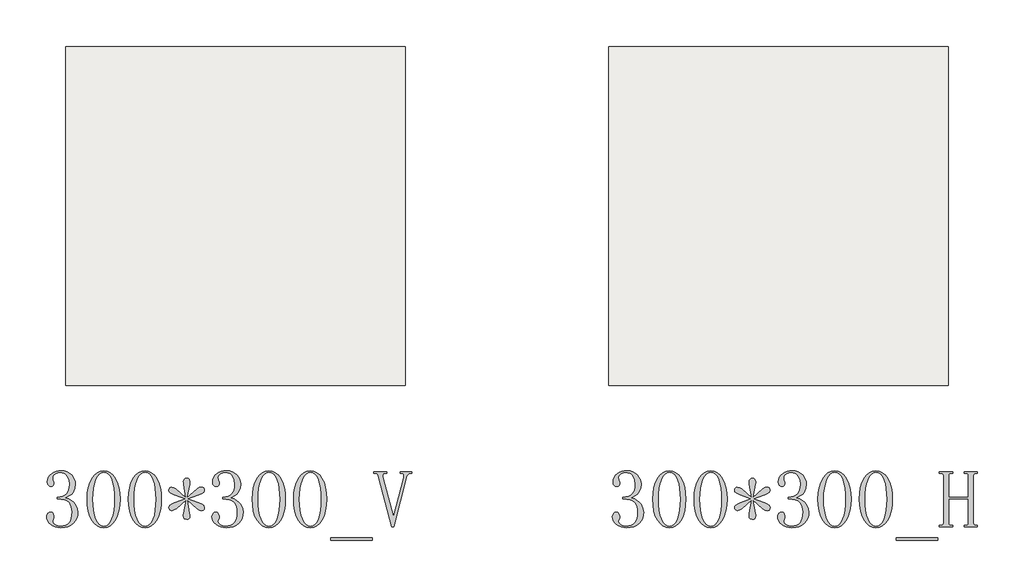
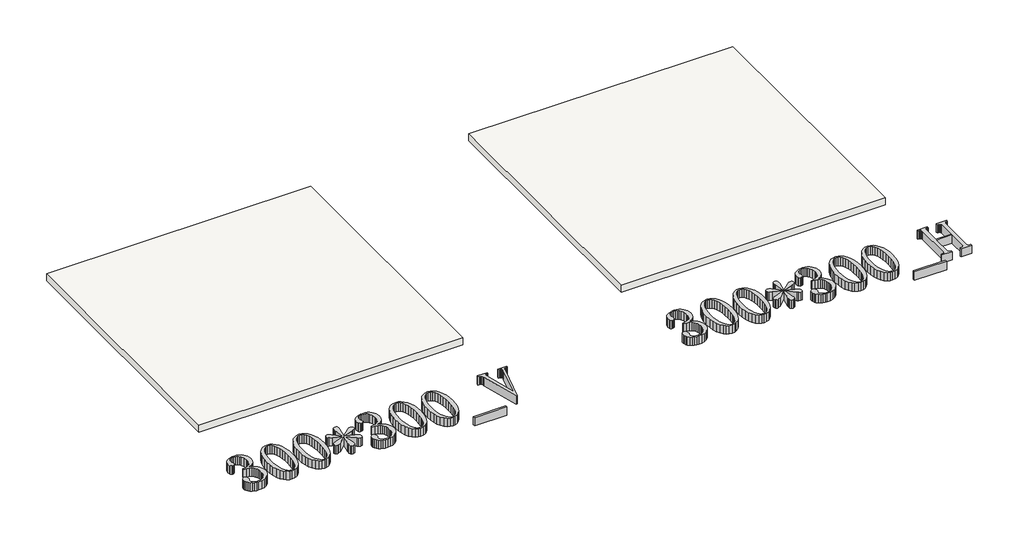
# One storey: 2 proxies, 2 slabs.
"""IFC4 building model written with IfcOpenShell, lengths in millimetres."""

from ifc_helpers import new_model, si_unit, frame, origin, origin_with_axes, place, context, project, spatial, polyline, outline, extrude, element, save

model = new_model("IFC4")

# Units and contexts
model_context = context("Model", 3, world=origin())
ifc_project = project(units=[si_unit("LENGTHUNIT", "METRE", prefix="MILLI")], contexts=[model_context])

# Site, building, storey
site = spatial("IfcSite", under=ifc_project)
building = spatial("IfcBuilding", under=site)
storey = spatial("IfcBuildingStorey", under=building, Elevation=0.0)

# Proxies
placement = place(None, origin())
element("IfcBuildingElementProxy", 1, Name="Generic Models", at=placement, inside=storey, context=model_context, shape_type="SweptSolid", body=[
    extrude(outline(polyline([(23649.2076296, 4911.0905785), (23646.7044505, 4885.2885786), (23639.1949132, 4861.0555229), (23626.6790178, 4838.3914113), (23609.1567641, 4817.2962439), (23587.1630196, 4799.5243855), (23561.2326515, 4786.8302009), (23531.3656599, 4779.2136901), (23497.5620448, 4776.6748532), (23472.7228061, 4778.4827048), (23449.6664585, 4783.9062595), (23428.3930019, 4792.9455173), (23408.9024365, 4805.6004783), (23392.6282066, 4820.601724), (23381.0037567, 4836.6798359), (23374.0290867, 4853.834814), (23371.7041967, 4872.0666583), (23374.5568225, 4888.326625), (23383.1146997, 4902.4185962), (23394.553729, 4912.1745763), (23406.0498108, 4915.4265697), (23420.6695177, 4912.0176819), (23430.2971296, 4901.7910186), (23437.428694, 4879.1411701), (23436.0023811, 4865.1062514), (23431.7234425, 4853.3534334), (23426.018191, 4833.7273682), (23431.3953905, 4817.0109813), (23447.5269892, 4803.3754302), (23470.105522, 4794.3040804), (23494.8235241, 4791.2802971), (23519.0030931, 4793.1844247), (23539.9663266, 4798.8968078), (23557.7132245, 4808.4174462), (23572.2437869, 4821.7463401), (23583.5508822, 4839.0689099), (23591.6273789, 4860.5705765), (23596.4732769, 4886.2513398), (23598.0885762, 4916.1111998), (23596.3556061, 4940.9718332), (23591.1566956, 4963.2936297), (23582.4918449, 4983.0765893), (23570.3610539, 5000.320712), (23553.480641, 5014.2985781), (23530.5669247, 5024.2827683), (23501.6199049, 5030.2732823), (23466.6395817, 5032.2701203), (23466.6395817, 5046.8755642), (23492.8694754, 5048.7083762), (23515.419482, 5054.2068124), (23534.2896013, 5063.3708726), (23549.4798334, 5076.2005569), (23561.1613359, 5092.3107608), (23569.5052662, 5111.3163799), (23574.5116244, 5133.217414), (23576.1804104, 5158.0138634), (23570.9743685, 5198.4640965), (23555.3562425, 5233.5513932), (23543.4714904, 5247.7289432), (23528.6414023, 5257.8557646), (23510.8659781, 5263.9318574), (23490.1452178, 5265.9572217), (23470.0056801, 5263.3042798), (23448.3827769, 5255.3454539), (23431.6093375, 5241.3390615), (23426.018191, 5220.5434198), (23427.4445039, 5200.8888284), (23431.7234425, 5190.3055869), (23436.0023811, 5183.4878113), (23437.428694, 5175.1296179), (23435.9738549, 5161.4798037), (23431.6093375, 5150.882299), (23423.5934591, 5144.0787866), (23411.1845371, 5141.8109491), (23399.8168235, 5143.9789447), (23389.2193188, 5150.4829314), (23381.5600187, 5162.7777484), (23379.0069187, 5182.3182348), (23381.3246771, 5203.0033372), (23388.2779523, 5221.6987332), (23399.8667445, 5238.4044228), (23416.0910534, 5253.1204059), (23435.3462772, 5265.1263945), (23456.0278139, 5273.7021006), (23478.1356634, 5278.8475243), (23501.6698259, 5280.5626656), (23528.8196914, 5278.2413414), (23553.1026681, 5271.2773687), (23574.5187559, 5259.6707477), (23593.0679549, 5243.4214783), (23608.0442401, 5224.5691879), (23618.7415866, 5205.1535039), (23625.1599946, 5185.1744263), (23627.2994639, 5164.6319551), (23621.9650537, 5123.3687236), (23605.9618233, 5088.8091627), (23593.7811113, 5074.2286793), (23578.5766161, 5061.694955), (23539.0962757, 5042.7677831), (23568.4497947, 5030.704742), (23592.7256398, 5016.8802044), (23611.9238111, 5001.2941705), (23626.0443085, 4983.9466402), (23643.4167994, 4947.5043462), (23649.2076296, 4911.0905785)])), origin_with_axes(), (0.0, 0.0, 1.0), 100.0),
    extrude(outline(polyline([(23876.9612694, 4776.6748532), (23847.0443569, 4780.8147263), (23819.5949656, 4793.2343457), (23794.6130956, 4813.9337113), (23772.0987469, 4842.9128231), (23753.4782323, 4879.4513932), (23740.1778648, 4922.8291335), (23732.1976442, 4973.046044), (23729.5375707, 5030.1021248), (23732.1084997, 5083.5425024), (23739.8212865, 5131.5842858), (23752.6759313, 5174.227475), (23770.672434, 5211.4720699), (23792.74106, 5241.6992055), (23817.8120745, 5263.2900166), (23845.8854777, 5276.2445033), (23876.9612694, 5280.5626656), (23906.8389584, 5276.4227924), (23934.0565738, 5264.0031731), (23958.6141157, 5243.3038075), (23980.5115841, 5214.3246957), (23998.5080868, 5177.9715463), (24011.3627316, 5135.150068), (24019.0755185, 5085.8602608), (24021.6464474, 5030.1021248), (24019.0755185, 4974.2049232), (24011.3627316, 4924.6120246), (23998.5080868, 4881.3234288), (23980.5115841, 4844.339136), (23958.6141157, 4814.7360123), (23934.0565738, 4793.5909239), (23906.8389584, 4780.9038709), (23876.9612694, 4776.6748532)]), holes=[polyline([(23877.0753745, 5265.9572217), (23857.4207831, 5261.9457168), (23839.4207146, 5249.9112019), (23823.075169, 5229.8536771), (23808.3841464, 5201.7731424), (23796.2533554, 5166.974674), (23787.5885047, 5126.7633483), (23782.3895943, 5081.1391652), (23780.6566241, 5030.1021248), (23782.3895943, 4976.5619052), (23787.5885047, 4929.3616464), (23796.2533554, 4888.5013484), (23808.3841464, 4853.981011), (23823.075169, 4826.5494487), (23839.4207146, 4806.9554755), (23857.4207831, 4795.1990917), (23877.0753745, 4791.2802971), (23897.7961348, 4795.1990917), (23916.1420841, 4806.9554755), (23932.1132225, 4826.5494487), (23945.70955, 4853.981011), (23956.5673567, 4888.5013484), (23964.322933, 4929.3616464), (23968.9762788, 4976.5619052), (23970.527394, 5030.1021248), (23969.0654233, 5081.1391652), (23964.6795112, 5126.7633483), (23957.3696577, 5166.974674), (23947.1358629, 5201.7731424), (23933.9852582, 5229.8536771), (23917.9249752, 5249.9112019), (23898.955014, 5261.9457168), (23877.0753745, 5265.9572217)])]), origin_with_axes(), (0.0, 0.0, 1.0), 100.0),
    extrude(outline(polyline([(24242.0973653, 4776.6748532), (24212.1804528, 4780.8147263), (24184.7310615, 4793.2343457), (24159.7491915, 4813.9337113), (24137.2348428, 4842.9128231), (24118.6143282, 4879.4513932), (24105.3139607, 4922.8291335), (24097.3337401, 4973.046044), (24094.6736666, 5030.1021248), (24097.2445956, 5083.5425024), (24104.9573824, 5131.5842858), (24117.8120272, 5174.227475), (24135.8085299, 5211.4720699), (24157.8771559, 5241.6992055), (24182.9481704, 5263.2900166), (24211.0215736, 5276.2445033), (24242.0973653, 5280.5626656), (24271.9750543, 5276.4227924), (24299.1926697, 5264.0031731), (24323.7502116, 5243.3038075), (24345.64768, 5214.3246957), (24363.6441827, 5177.9715463), (24376.4988275, 5135.150068), (24384.2116144, 5085.8602608), (24386.7825433, 5030.1021248), (24384.2116144, 4974.2049232), (24376.4988275, 4924.6120246), (24363.6441827, 4881.3234288), (24345.64768, 4844.339136), (24323.7502116, 4814.7360123), (24299.1926697, 4793.5909239), (24271.9750543, 4780.9038709), (24242.0973653, 4776.6748532)]), holes=[polyline([(24242.2114704, 5265.9572217), (24222.556879, 5261.9457168), (24204.5568105, 5249.9112019), (24188.2112649, 5229.8536771), (24173.5202423, 5201.7731424), (24161.3894513, 5166.974674), (24152.7246006, 5126.7633483), (24147.5256902, 5081.1391652), (24145.79272, 5030.1021248), (24147.5256902, 4976.5619052), (24152.7246006, 4929.3616464), (24161.3894513, 4888.5013484), (24173.5202423, 4853.981011), (24188.2112649, 4826.5494487), (24204.5568105, 4806.9554755), (24222.556879, 4795.1990917), (24242.2114704, 4791.2802971), (24262.9322306, 4795.1990917), (24281.27818, 4806.9554755), (24297.2493184, 4826.5494487), (24310.8456459, 4853.981011), (24321.7034526, 4888.5013484), (24329.4590289, 4929.3616464), (24334.1123747, 4976.5619052), (24335.6634899, 5030.1021248), (24334.2015192, 5081.1391652), (24329.8156071, 5126.7633483), (24322.5057536, 5166.974674), (24312.2719588, 5201.7731424), (24299.1213541, 5229.8536771), (24283.0610711, 5249.9112019), (24264.0911099, 5261.9457168), (24242.2114704, 5265.9572217)])]), origin_with_axes(), (0.0, 0.0, 1.0), 100.0),
    extrude(outline(polyline([(24718.0294453, 5068.7837299), (24621.0401699, 5032.2701203), (24718.0294453, 4995.7565108), (24747.2688593, 4983.1193787), (24760.8188316, 4973.2778199), (24766.5240831, 4956.3902754), (24764.3846137, 4938.8323639), (24757.9662058, 4931.1160113), (24740.8504513, 4928.320438), (24723.7346968, 4932.5993767), (24703.7663166, 4945.4361925), (24615.2208133, 5025.3097135), (24635.1891936, 4905.8417471), (24638.0418193, 4890.3805156), (24638.0418193, 4880.6245355), (24635.90235, 4866.2045124), (24629.4839421, 4856.7195317), (24620.2129084, 4851.4564372), (24609.5155618, 4849.7020724), (24590.6311794, 4855.2932189), (24582.9718792, 4864.4216213), (24580.4187792, 4880.6245355), (24581.9021446, 4891.8068285), (24583.38551, 4905.8417471), (24606.6629361, 5025.3097135), (24516.5199624, 4945.4361925), (24497.5785274, 4934.0256895), (24478.6370925, 4928.320438), (24461.2360754, 4933.9115845), (24454.6892993, 4942.3268305), (24452.5070406, 4956.3902754), (24454.6465099, 4966.9592538), (24461.0649178, 4976.0733931), (24475.3280466, 4985.1875324), (24501.0016783, 4995.7565108), (24597.9909538, 5032.2701203), (24501.0016783, 5068.7837299), (24466.7701693, 5084.2449615), (24456.0728228, 5093.7299421), (24452.5070406, 5108.1499653), (24454.6465099, 5120.4305191), (24461.0649178, 5129.2023433), (24469.6227951, 5134.4654378), (24478.1806723, 5136.2198026), (24496.7227397, 5131.940864), (24515.2648071, 5119.1040482), (24603.8103103, 5039.2305272), (24583.8419301, 5158.6984936), (24582.4156172, 5172.7334122), (24580.9893043, 5183.9157052), (24583.1287736, 5194.8412618), (24589.5471816, 5205.0251357), (24598.8182153, 5212.3849102), (24609.5155618, 5214.8381683), (24624.0639531, 5212.0283319), (24632.7929879, 5203.5988228), (24638.6123445, 5183.9157052), (24638.6123445, 5171.3070994), (24635.6456137, 5158.6984936), (24612.3681876, 5039.2305272), (24702.5111612, 5119.1040482), (24722.8789091, 5133.3671769), (24740.3940312, 5136.2198026), (24750.9344833, 5134.1088596), (24759.2784137, 5127.7760304), (24764.7126657, 5118.647628), (24766.5240831, 5108.1499653), (24765.0977702, 5097.923302), (24760.8188316, 5089.836108), (24747.2688593, 5081.0642838), (24718.0294453, 5068.7837299)])), origin_with_axes(), (0.0, 0.0, 1.0), 100.0),
    extrude(outline(polyline([(25109.7520132, 4911.0905785), (25107.2488341, 4885.2885786), (25099.7392968, 4861.0555229), (25087.2234013, 4838.3914113), (25069.7011477, 4817.2962439), (25047.7074032, 4799.5243855), (25021.7770351, 4786.8302009), (24991.9100435, 4779.2136901), (24958.1064284, 4776.6748532), (24933.2671897, 4778.4827048), (24910.210842, 4783.9062595), (24888.9373855, 4792.9455173), (24869.4468201, 4805.6004783), (24853.1725902, 4820.601724), (24841.5481403, 4836.6798359), (24834.5734703, 4853.834814), (24832.2485803, 4872.0666583), (24835.1012061, 4888.326625), (24843.6590833, 4902.4185962), (24855.0981126, 4912.1745763), (24866.5941943, 4915.4265697), (24881.2139013, 4912.0176819), (24890.8415132, 4901.7910186), (24897.9730776, 4879.1411701), (24896.5467647, 4865.1062514), (24892.2678261, 4853.3534334), (24886.5625746, 4833.7273682), (24891.9397741, 4817.0109813), (24908.0713727, 4803.3754302), (24930.6499055, 4794.3040804), (24955.3679077, 4791.2802971), (24979.5474767, 4793.1844247), (25000.5107101, 4798.8968078), (25018.2576081, 4808.4174462), (25032.7881705, 4821.7463401), (25044.0952658, 4839.0689099), (25052.1717625, 4860.5705765), (25057.0176604, 4886.2513398), (25058.6329598, 4916.1111998), (25056.8999896, 4940.9718332), (25051.7010792, 4963.2936297), (25043.0362285, 4983.0765893), (25030.9054375, 5000.320712), (25014.0250246, 5014.2985781), (24991.1113083, 5024.2827683), (24962.1642885, 5030.2732823), (24927.1839653, 5032.2701203), (24927.1839653, 5046.8755642), (24953.413859, 5048.7083762), (24975.9638656, 5054.2068124), (24994.8339849, 5063.3708726), (25010.024217, 5076.2005569), (25021.7057195, 5092.3107608), (25030.0496498, 5111.3163799), (25035.056008, 5133.217414), (25036.724794, 5158.0138634), (25031.518752, 5198.4640965), (25015.9006261, 5233.5513932), (25004.015874, 5247.7289432), (24989.1857859, 5257.8557646), (24971.4103617, 5263.9318574), (24950.6896014, 5265.9572217), (24930.5500636, 5263.3042798), (24908.9271605, 5255.3454539), (24892.1537211, 5241.3390615), (24886.5625746, 5220.5434198), (24887.9888875, 5200.8888284), (24892.2678261, 5190.3055869), (24896.5467647, 5183.4878113), (24897.9730776, 5175.1296179), (24896.5182385, 5161.4798037), (24892.1537211, 5150.882299), (24884.1378427, 5144.0787866), (24871.7289207, 5141.8109491), (24860.3612071, 5143.9789447), (24849.7637024, 5150.4829314), (24842.1044023, 5162.7777484), (24839.5513022, 5182.3182348), (24841.8690607, 5203.0033372), (24848.8223359, 5221.6987332), (24860.411128, 5238.4044228), (24876.635437, 5253.1204059), (24895.8906608, 5265.1263945), (24916.5721975, 5273.7021006), (24938.680047, 5278.8475243), (24962.2142095, 5280.5626656), (24989.364075, 5278.2413414), (25013.6470517, 5271.2773687), (25035.0631395, 5259.6707477), (25053.6123385, 5243.4214783), (25068.5886236, 5224.5691879), (25079.2859702, 5205.1535039), (25085.7043781, 5185.1744263), (25087.8438474, 5164.6319551), (25082.5094373, 5123.3687236), (25066.5062068, 5088.8091627), (25054.3254949, 5074.2286793), (25039.1209997, 5061.694955), (24999.6406593, 5042.7677831), (25028.9941782, 5030.704742), (25053.2700234, 5016.8802044), (25072.4681947, 5001.2941705), (25086.5886921, 4983.9466402), (25103.9611829, 4947.5043462), (25109.7520132, 4911.0905785)])), origin_with_axes(), (0.0, 0.0, 1.0), 100.0),
    extrude(outline(polyline([(25337.505653, 4776.6748532), (25307.5887405, 4780.8147263), (25280.1393492, 4793.2343457), (25255.1574792, 4813.9337113), (25232.6431305, 4842.9128231), (25214.0226159, 4879.4513932), (25200.7222483, 4922.8291335), (25192.7420278, 4973.046044), (25190.0819543, 5030.1021248), (25192.6528833, 5083.5425024), (25200.3656701, 5131.5842858), (25213.2203149, 5174.227475), (25231.2168176, 5211.4720699), (25253.2854436, 5241.6992055), (25278.3564581, 5263.2900166), (25306.4298613, 5276.2445033), (25337.505653, 5280.5626656), (25367.383342, 5276.4227924), (25394.6009574, 5264.0031731), (25419.1584993, 5243.3038075), (25441.0559677, 5214.3246957), (25459.0524704, 5177.9715463), (25471.9071152, 5135.150068), (25479.6199021, 5085.8602608), (25482.190831, 5030.1021248), (25479.6199021, 4974.2049232), (25471.9071152, 4924.6120246), (25459.0524704, 4881.3234288), (25441.0559677, 4844.339136), (25419.1584993, 4814.7360123), (25394.6009574, 4793.5909239), (25367.383342, 4780.9038709), (25337.505653, 4776.6748532)]), holes=[polyline([(25337.619758, 5265.9572217), (25317.9651666, 5261.9457168), (25299.9650982, 5249.9112019), (25283.6195526, 5229.8536771), (25268.92853, 5201.7731424), (25256.797739, 5166.974674), (25248.1328883, 5126.7633483), (25242.9339779, 5081.1391652), (25241.2010077, 5030.1021248), (25242.9339779, 4976.5619052), (25248.1328883, 4929.3616464), (25256.797739, 4888.5013484), (25268.92853, 4853.981011), (25283.6195526, 4826.5494487), (25299.9650982, 4806.9554755), (25317.9651666, 4795.1990917), (25337.619758, 4791.2802971), (25358.3405183, 4795.1990917), (25376.6864677, 4806.9554755), (25392.6576061, 4826.5494487), (25406.2539336, 4853.981011), (25417.1117403, 4888.5013484), (25424.8673166, 4929.3616464), (25429.5206623, 4976.5619052), (25431.0717776, 5030.1021248), (25429.6098069, 5081.1391652), (25425.2238948, 5126.7633483), (25417.9140413, 5166.974674), (25407.6802464, 5201.7731424), (25394.5296417, 5229.8536771), (25378.4693588, 5249.9112019), (25359.4993975, 5261.9457168), (25337.619758, 5265.9572217)])]), origin_with_axes(), (0.0, 0.0, 1.0), 100.0),
    extrude(outline(polyline([(25702.6417489, 4776.6748532), (25672.7248364, 4780.8147263), (25645.2754451, 4793.2343457), (25620.2935751, 4813.9337113), (25597.7792264, 4842.9128231), (25579.1587118, 4879.4513932), (25565.8583442, 4922.8291335), (25557.8781237, 4973.046044), (25555.2180502, 5030.1021248), (25557.7889792, 5083.5425024), (25565.501766, 5131.5842858), (25578.3564108, 5174.227475), (25596.3529135, 5211.4720699), (25618.4215395, 5241.6992055), (25643.492554, 5263.2900166), (25671.5659572, 5276.2445033), (25702.6417489, 5280.5626656), (25732.5194379, 5276.4227924), (25759.7370533, 5264.0031731), (25784.2945952, 5243.3038075), (25806.1920636, 5214.3246957), (25824.1885663, 5177.9715463), (25837.0432111, 5135.150068), (25844.755998, 5085.8602608), (25847.3269269, 5030.1021248), (25844.755998, 4974.2049232), (25837.0432111, 4924.6120246), (25824.1885663, 4881.3234288), (25806.1920636, 4844.339136), (25784.2945952, 4814.7360123), (25759.7370533, 4793.5909239), (25732.5194379, 4780.9038709), (25702.6417489, 4776.6748532)]), holes=[polyline([(25702.7558539, 5265.9572217), (25683.1012625, 5261.9457168), (25665.1011941, 5249.9112019), (25648.7556485, 5229.8536771), (25634.0646259, 5201.7731424), (25621.9338349, 5166.974674), (25613.2689842, 5126.7633483), (25608.0700738, 5081.1391652), (25606.3371036, 5030.1021248), (25608.0700738, 4976.5619052), (25613.2689842, 4929.3616464), (25621.9338349, 4888.5013484), (25634.0646259, 4853.981011), (25648.7556485, 4826.5494487), (25665.1011941, 4806.9554755), (25683.1012625, 4795.1990917), (25702.7558539, 4791.2802971), (25723.4766142, 4795.1990917), (25741.8225636, 4806.9554755), (25757.793702, 4826.5494487), (25771.3900295, 4853.981011), (25782.2478362, 4888.5013484), (25790.0034125, 4929.3616464), (25794.6567582, 4976.5619052), (25796.2078735, 5030.1021248), (25794.7459028, 5081.1391652), (25790.3599907, 5126.7633483), (25783.0501372, 5166.974674), (25772.8163423, 5201.7731424), (25759.6657376, 5229.8536771), (25743.6054547, 5249.9112019), (25724.6354934, 5261.9457168), (25702.7558539, 5265.9572217)])]), origin_with_axes(), (0.0, 0.0, 1.0), 100.0),
    extrude(outline(polyline([(25883.8405365, 4667.1340245), (25883.8405365, 4689.0421902), (26248.9766324, 4689.0421902), (26248.9766324, 4667.1340245), (25883.8405365, 4667.1340245)])), origin_with_axes(), (0.0, 0.0, 1.0), 100.0),
    extrude(outline(polyline([(26496.6986525, 5258.6544998), (26496.6986525, 5273.2599436), (26599.5072845, 5273.2599436), (26599.5072845, 5258.6544998), (26587.9826764, 5258.6544998), (26576.9002254, 5256.5007674), (26566.4738783, 5250.03957), (26557.473844, 5237.8160687), (26550.6703316, 5218.3754242), (26438.8474023, 4783.9775751), (26424.2419584, 4783.9775751), (26309.5664033, 5218.3754242), (26305.6297798, 5236.0331776), (26299.5251607, 5248.6132572), (26290.5393896, 5256.1441891), (26277.95931, 5258.6544998), (26263.5820762, 5258.6544998), (26263.5820762, 5273.2599436), (26376.4319509, 5273.2599436), (26376.4319509, 5258.6544998), (26365.0214479, 5258.6544998), (26353.297156, 5256.5007674), (26346.650538, 5250.03957), (26344.1972799, 5239.9840643), (26345.0530676, 5227.0474065), (26435.4242514, 4884.5041065), (26441.2436079, 4884.5041065), (26528.0775357, 5218.3754242), (26530.9301614, 5236.0331776), (26528.0775357, 5248.6132572), (26519.5196584, 5256.1441891), (26505.2565297, 5258.6544998), (26496.6986525, 5258.6544998)])), origin_with_axes(), (0.0, 0.0, 1.0), 100.0),
])
element("IfcBuildingElementProxy", 2, Name="Generic Models", at=placement, inside=storey, context=model_context, shape_type="SweptSolid", body=[
    extrude(outline(polyline([(28649.2076296, 4911.0905785), (28646.7044505, 4885.2885786), (28639.1949132, 4861.0555229), (28626.6790178, 4838.3914113), (28609.1567641, 4817.2962439), (28587.1630196, 4799.5243855), (28561.2326515, 4786.8302009), (28531.3656599, 4779.2136901), (28497.5620448, 4776.6748532), (28472.7228061, 4778.4827048), (28449.6664585, 4783.9062595), (28428.3930019, 4792.9455173), (28408.9024365, 4805.6004783), (28392.6282066, 4820.601724), (28381.0037567, 4836.6798359), (28374.0290867, 4853.834814), (28371.7041967, 4872.0666583), (28374.5568225, 4888.326625), (28383.1146997, 4902.4185962), (28394.553729, 4912.1745763), (28406.0498108, 4915.4265697), (28420.6695177, 4912.0176819), (28430.2971296, 4901.7910186), (28437.428694, 4879.1411701), (28436.0023811, 4865.1062514), (28431.7234425, 4853.3534334), (28426.018191, 4833.7273682), (28431.3953905, 4817.0109813), (28447.5269892, 4803.3754302), (28470.105522, 4794.3040804), (28494.8235241, 4791.2802971), (28519.0030931, 4793.1844247), (28539.9663266, 4798.8968078), (28557.7132245, 4808.4174462), (28572.2437869, 4821.7463401), (28583.5508822, 4839.0689099), (28591.6273789, 4860.5705765), (28596.4732769, 4886.2513398), (28598.0885762, 4916.1111998), (28596.3556061, 4940.9718332), (28591.1566956, 4963.2936297), (28582.4918449, 4983.0765893), (28570.3610539, 5000.320712), (28553.480641, 5014.2985781), (28530.5669247, 5024.2827683), (28501.6199049, 5030.2732823), (28466.6395817, 5032.2701203), (28466.6395817, 5046.8755642), (28492.8694754, 5048.7083762), (28515.419482, 5054.2068124), (28534.2896013, 5063.3708726), (28549.4798334, 5076.2005569), (28561.1613359, 5092.3107608), (28569.5052662, 5111.3163799), (28574.5116244, 5133.217414), (28576.1804104, 5158.0138634), (28570.9743685, 5198.4640965), (28555.3562425, 5233.5513932), (28543.4714904, 5247.7289432), (28528.6414023, 5257.8557646), (28510.8659781, 5263.9318574), (28490.1452178, 5265.9572217), (28470.0056801, 5263.3042798), (28448.3827769, 5255.3454539), (28431.6093375, 5241.3390615), (28426.018191, 5220.5434198), (28427.4445039, 5200.8888284), (28431.7234425, 5190.3055869), (28436.0023811, 5183.4878113), (28437.428694, 5175.1296179), (28435.9738549, 5161.4798037), (28431.6093375, 5150.882299), (28423.5934591, 5144.0787866), (28411.1845371, 5141.8109491), (28399.8168235, 5143.9789447), (28389.2193188, 5150.4829314), (28381.5600187, 5162.7777484), (28379.0069187, 5182.3182348), (28381.3246771, 5203.0033372), (28388.2779523, 5221.6987332), (28399.8667445, 5238.4044228), (28416.0910534, 5253.1204059), (28435.3462772, 5265.1263945), (28456.0278139, 5273.7021006), (28478.1356634, 5278.8475243), (28501.6698259, 5280.5626656), (28528.8196914, 5278.2413414), (28553.1026681, 5271.2773687), (28574.5187559, 5259.6707477), (28593.0679549, 5243.4214783), (28608.0442401, 5224.5691879), (28618.7415866, 5205.1535039), (28625.1599946, 5185.1744263), (28627.2994639, 5164.6319551), (28621.9650537, 5123.3687236), (28605.9618233, 5088.8091627), (28593.7811113, 5074.2286793), (28578.5766161, 5061.694955), (28539.0962757, 5042.7677831), (28568.4497947, 5030.704742), (28592.7256398, 5016.8802044), (28611.9238111, 5001.2941705), (28626.0443085, 4983.9466402), (28643.4167994, 4947.5043462), (28649.2076296, 4911.0905785)])), origin_with_axes(), (0.0, 0.0, 1.0), 100.0),
    extrude(outline(polyline([(28876.9612694, 4776.6748532), (28847.0443569, 4780.8147263), (28819.5949656, 4793.2343457), (28794.6130956, 4813.9337113), (28772.0987469, 4842.9128231), (28753.4782323, 4879.4513932), (28740.1778648, 4922.8291335), (28732.1976442, 4973.046044), (28729.5375707, 5030.1021248), (28732.1084997, 5083.5425024), (28739.8212865, 5131.5842858), (28752.6759313, 5174.227475), (28770.672434, 5211.4720699), (28792.74106, 5241.6992055), (28817.8120745, 5263.2900166), (28845.8854777, 5276.2445033), (28876.9612694, 5280.5626656), (28906.8389584, 5276.4227924), (28934.0565738, 5264.0031731), (28958.6141157, 5243.3038075), (28980.5115841, 5214.3246957), (28998.5080868, 5177.9715463), (29011.3627316, 5135.150068), (29019.0755185, 5085.8602608), (29021.6464474, 5030.1021248), (29019.0755185, 4974.2049232), (29011.3627316, 4924.6120246), (28998.5080868, 4881.3234288), (28980.5115841, 4844.339136), (28958.6141157, 4814.7360123), (28934.0565738, 4793.5909239), (28906.8389584, 4780.9038709), (28876.9612694, 4776.6748532)]), holes=[polyline([(28877.0753745, 5265.9572217), (28857.4207831, 5261.9457168), (28839.4207146, 5249.9112019), (28823.075169, 5229.8536771), (28808.3841464, 5201.7731424), (28796.2533554, 5166.974674), (28787.5885047, 5126.7633483), (28782.3895943, 5081.1391652), (28780.6566241, 5030.1021248), (28782.3895943, 4976.5619052), (28787.5885047, 4929.3616464), (28796.2533554, 4888.5013484), (28808.3841464, 4853.981011), (28823.075169, 4826.5494487), (28839.4207146, 4806.9554755), (28857.4207831, 4795.1990917), (28877.0753745, 4791.2802971), (28897.7961348, 4795.1990917), (28916.1420841, 4806.9554755), (28932.1132225, 4826.5494487), (28945.70955, 4853.981011), (28956.5673567, 4888.5013484), (28964.322933, 4929.3616464), (28968.9762788, 4976.5619052), (28970.527394, 5030.1021248), (28969.0654233, 5081.1391652), (28964.6795112, 5126.7633483), (28957.3696577, 5166.974674), (28947.1358629, 5201.7731424), (28933.9852582, 5229.8536771), (28917.9249752, 5249.9112019), (28898.955014, 5261.9457168), (28877.0753745, 5265.9572217)])]), origin_with_axes(), (0.0, 0.0, 1.0), 100.0),
    extrude(outline(polyline([(29242.0973653, 4776.6748532), (29212.1804528, 4780.8147263), (29184.7310615, 4793.2343457), (29159.7491915, 4813.9337113), (29137.2348428, 4842.9128231), (29118.6143282, 4879.4513932), (29105.3139607, 4922.8291335), (29097.3337401, 4973.046044), (29094.6736666, 5030.1021248), (29097.2445956, 5083.5425024), (29104.9573824, 5131.5842858), (29117.8120272, 5174.227475), (29135.8085299, 5211.4720699), (29157.8771559, 5241.6992055), (29182.9481704, 5263.2900166), (29211.0215736, 5276.2445033), (29242.0973653, 5280.5626656), (29271.9750543, 5276.4227924), (29299.1926697, 5264.0031731), (29323.7502116, 5243.3038075), (29345.64768, 5214.3246957), (29363.6441827, 5177.9715463), (29376.4988275, 5135.150068), (29384.2116144, 5085.8602608), (29386.7825433, 5030.1021248), (29384.2116144, 4974.2049232), (29376.4988275, 4924.6120246), (29363.6441827, 4881.3234288), (29345.64768, 4844.339136), (29323.7502116, 4814.7360123), (29299.1926697, 4793.5909239), (29271.9750543, 4780.9038709), (29242.0973653, 4776.6748532)]), holes=[polyline([(29242.2114704, 5265.9572217), (29222.556879, 5261.9457168), (29204.5568105, 5249.9112019), (29188.2112649, 5229.8536771), (29173.5202423, 5201.7731424), (29161.3894513, 5166.974674), (29152.7246006, 5126.7633483), (29147.5256902, 5081.1391652), (29145.79272, 5030.1021248), (29147.5256902, 4976.5619052), (29152.7246006, 4929.3616464), (29161.3894513, 4888.5013484), (29173.5202423, 4853.981011), (29188.2112649, 4826.5494487), (29204.5568105, 4806.9554755), (29222.556879, 4795.1990917), (29242.2114704, 4791.2802971), (29262.9322306, 4795.1990917), (29281.27818, 4806.9554755), (29297.2493184, 4826.5494487), (29310.8456459, 4853.981011), (29321.7034526, 4888.5013484), (29329.4590289, 4929.3616464), (29334.1123747, 4976.5619052), (29335.6634899, 5030.1021248), (29334.2015192, 5081.1391652), (29329.8156071, 5126.7633483), (29322.5057536, 5166.974674), (29312.2719588, 5201.7731424), (29299.1213541, 5229.8536771), (29283.0610711, 5249.9112019), (29264.0911099, 5261.9457168), (29242.2114704, 5265.9572217)])]), origin_with_axes(), (0.0, 0.0, 1.0), 100.0),
    extrude(outline(polyline([(29718.0294453, 5068.7837299), (29621.0401699, 5032.2701203), (29718.0294453, 4995.7565108), (29747.2688593, 4983.1193787), (29760.8188316, 4973.2778199), (29766.5240831, 4956.3902754), (29764.3846137, 4938.8323639), (29757.9662058, 4931.1160113), (29740.8504513, 4928.320438), (29723.7346968, 4932.5993767), (29703.7663166, 4945.4361925), (29615.2208133, 5025.3097135), (29635.1891936, 4905.8417471), (29638.0418193, 4890.3805156), (29638.0418193, 4880.6245355), (29635.90235, 4866.2045124), (29629.4839421, 4856.7195317), (29620.2129084, 4851.4564372), (29609.5155618, 4849.7020724), (29590.6311794, 4855.2932189), (29582.9718792, 4864.4216213), (29580.4187792, 4880.6245355), (29581.9021446, 4891.8068285), (29583.38551, 4905.8417471), (29606.6629361, 5025.3097135), (29516.5199624, 4945.4361925), (29497.5785274, 4934.0256895), (29478.6370925, 4928.320438), (29461.2360754, 4933.9115845), (29454.6892993, 4942.3268305), (29452.5070406, 4956.3902754), (29454.6465099, 4966.9592538), (29461.0649178, 4976.0733931), (29475.3280466, 4985.1875324), (29501.0016783, 4995.7565108), (29597.9909538, 5032.2701203), (29501.0016783, 5068.7837299), (29466.7701693, 5084.2449615), (29456.0728228, 5093.7299421), (29452.5070406, 5108.1499653), (29454.6465099, 5120.4305191), (29461.0649178, 5129.2023433), (29469.6227951, 5134.4654378), (29478.1806723, 5136.2198026), (29496.7227397, 5131.940864), (29515.2648071, 5119.1040482), (29603.8103103, 5039.2305272), (29583.8419301, 5158.6984936), (29582.4156172, 5172.7334122), (29580.9893043, 5183.9157052), (29583.1287736, 5194.8412618), (29589.5471816, 5205.0251357), (29598.8182153, 5212.3849102), (29609.5155618, 5214.8381683), (29624.0639531, 5212.0283319), (29632.7929879, 5203.5988228), (29638.6123445, 5183.9157052), (29638.6123445, 5171.3070994), (29635.6456137, 5158.6984936), (29612.3681876, 5039.2305272), (29702.5111612, 5119.1040482), (29722.8789091, 5133.3671769), (29740.3940312, 5136.2198026), (29750.9344833, 5134.1088596), (29759.2784137, 5127.7760304), (29764.7126657, 5118.647628), (29766.5240831, 5108.1499653), (29765.0977702, 5097.923302), (29760.8188316, 5089.836108), (29747.2688593, 5081.0642838), (29718.0294453, 5068.7837299)])), origin_with_axes(), (0.0, 0.0, 1.0), 100.0),
    extrude(outline(polyline([(30109.7520132, 4911.0905785), (30107.2488341, 4885.2885786), (30099.7392968, 4861.0555229), (30087.2234013, 4838.3914113), (30069.7011477, 4817.2962439), (30047.7074032, 4799.5243855), (30021.7770351, 4786.8302009), (29991.9100435, 4779.2136901), (29958.1064284, 4776.6748532), (29933.2671897, 4778.4827048), (29910.210842, 4783.9062595), (29888.9373855, 4792.9455173), (29869.4468201, 4805.6004783), (29853.1725902, 4820.601724), (29841.5481403, 4836.6798359), (29834.5734703, 4853.834814), (29832.2485803, 4872.0666583), (29835.1012061, 4888.326625), (29843.6590833, 4902.4185962), (29855.0981126, 4912.1745763), (29866.5941943, 4915.4265697), (29881.2139013, 4912.0176819), (29890.8415132, 4901.7910186), (29897.9730776, 4879.1411701), (29896.5467647, 4865.1062514), (29892.2678261, 4853.3534334), (29886.5625746, 4833.7273682), (29891.9397741, 4817.0109813), (29908.0713727, 4803.3754302), (29930.6499055, 4794.3040804), (29955.3679077, 4791.2802971), (29979.5474767, 4793.1844247), (30000.5107101, 4798.8968078), (30018.2576081, 4808.4174462), (30032.7881705, 4821.7463401), (30044.0952658, 4839.0689099), (30052.1717625, 4860.5705765), (30057.0176604, 4886.2513398), (30058.6329598, 4916.1111998), (30056.8999896, 4940.9718332), (30051.7010792, 4963.2936297), (30043.0362285, 4983.0765893), (30030.9054375, 5000.320712), (30014.0250246, 5014.2985781), (29991.1113083, 5024.2827683), (29962.1642885, 5030.2732823), (29927.1839653, 5032.2701203), (29927.1839653, 5046.8755642), (29953.413859, 5048.7083762), (29975.9638656, 5054.2068124), (29994.8339849, 5063.3708726), (30010.024217, 5076.2005569), (30021.7057195, 5092.3107608), (30030.0496498, 5111.3163799), (30035.056008, 5133.217414), (30036.724794, 5158.0138634), (30031.518752, 5198.4640965), (30015.9006261, 5233.5513932), (30004.015874, 5247.7289432), (29989.1857859, 5257.8557646), (29971.4103617, 5263.9318574), (29950.6896014, 5265.9572217), (29930.5500636, 5263.3042798), (29908.9271605, 5255.3454539), (29892.1537211, 5241.3390615), (29886.5625746, 5220.5434198), (29887.9888875, 5200.8888284), (29892.2678261, 5190.3055869), (29896.5467647, 5183.4878113), (29897.9730776, 5175.1296179), (29896.5182385, 5161.4798037), (29892.1537211, 5150.882299), (29884.1378427, 5144.0787866), (29871.7289207, 5141.8109491), (29860.3612071, 5143.9789447), (29849.7637024, 5150.4829314), (29842.1044023, 5162.7777484), (29839.5513022, 5182.3182348), (29841.8690607, 5203.0033372), (29848.8223359, 5221.6987332), (29860.411128, 5238.4044228), (29876.635437, 5253.1204059), (29895.8906608, 5265.1263945), (29916.5721975, 5273.7021006), (29938.680047, 5278.8475243), (29962.2142095, 5280.5626656), (29989.364075, 5278.2413414), (30013.6470517, 5271.2773687), (30035.0631395, 5259.6707477), (30053.6123385, 5243.4214783), (30068.5886236, 5224.5691879), (30079.2859702, 5205.1535039), (30085.7043781, 5185.1744263), (30087.8438474, 5164.6319551), (30082.5094373, 5123.3687236), (30066.5062068, 5088.8091627), (30054.3254949, 5074.2286793), (30039.1209997, 5061.694955), (29999.6406593, 5042.7677831), (30028.9941782, 5030.704742), (30053.2700234, 5016.8802044), (30072.4681947, 5001.2941705), (30086.5886921, 4983.9466402), (30103.9611829, 4947.5043462), (30109.7520132, 4911.0905785)])), origin_with_axes(), (0.0, 0.0, 1.0), 100.0),
    extrude(outline(polyline([(30337.505653, 4776.6748532), (30307.5887405, 4780.8147263), (30280.1393492, 4793.2343457), (30255.1574792, 4813.9337113), (30232.6431305, 4842.9128231), (30214.0226159, 4879.4513932), (30200.7222483, 4922.8291335), (30192.7420278, 4973.046044), (30190.0819543, 5030.1021248), (30192.6528833, 5083.5425024), (30200.3656701, 5131.5842858), (30213.2203149, 5174.227475), (30231.2168176, 5211.4720699), (30253.2854436, 5241.6992055), (30278.3564581, 5263.2900166), (30306.4298613, 5276.2445033), (30337.505653, 5280.5626656), (30367.383342, 5276.4227924), (30394.6009574, 5264.0031731), (30419.1584993, 5243.3038075), (30441.0559677, 5214.3246957), (30459.0524704, 5177.9715463), (30471.9071152, 5135.150068), (30479.6199021, 5085.8602608), (30482.190831, 5030.1021248), (30479.6199021, 4974.2049232), (30471.9071152, 4924.6120246), (30459.0524704, 4881.3234288), (30441.0559677, 4844.339136), (30419.1584993, 4814.7360123), (30394.6009574, 4793.5909239), (30367.383342, 4780.9038709), (30337.505653, 4776.6748532)]), holes=[polyline([(30337.619758, 5265.9572217), (30317.9651666, 5261.9457168), (30299.9650982, 5249.9112019), (30283.6195526, 5229.8536771), (30268.92853, 5201.7731424), (30256.797739, 5166.974674), (30248.1328883, 5126.7633483), (30242.9339779, 5081.1391652), (30241.2010077, 5030.1021248), (30242.9339779, 4976.5619052), (30248.1328883, 4929.3616464), (30256.797739, 4888.5013484), (30268.92853, 4853.981011), (30283.6195526, 4826.5494487), (30299.9650982, 4806.9554755), (30317.9651666, 4795.1990917), (30337.619758, 4791.2802971), (30358.3405183, 4795.1990917), (30376.6864677, 4806.9554755), (30392.6576061, 4826.5494487), (30406.2539336, 4853.981011), (30417.1117403, 4888.5013484), (30424.8673166, 4929.3616464), (30429.5206623, 4976.5619052), (30431.0717776, 5030.1021248), (30429.6098069, 5081.1391652), (30425.2238948, 5126.7633483), (30417.9140413, 5166.974674), (30407.6802464, 5201.7731424), (30394.5296417, 5229.8536771), (30378.4693588, 5249.9112019), (30359.4993975, 5261.9457168), (30337.619758, 5265.9572217)])]), origin_with_axes(), (0.0, 0.0, 1.0), 100.0),
    extrude(outline(polyline([(30702.6417489, 4776.6748532), (30672.7248364, 4780.8147263), (30645.2754451, 4793.2343457), (30620.2935751, 4813.9337113), (30597.7792264, 4842.9128231), (30579.1587118, 4879.4513932), (30565.8583442, 4922.8291335), (30557.8781237, 4973.046044), (30555.2180502, 5030.1021248), (30557.7889792, 5083.5425024), (30565.501766, 5131.5842858), (30578.3564108, 5174.227475), (30596.3529135, 5211.4720699), (30618.4215395, 5241.6992055), (30643.492554, 5263.2900166), (30671.5659572, 5276.2445033), (30702.6417489, 5280.5626656), (30732.5194379, 5276.4227924), (30759.7370533, 5264.0031731), (30784.2945952, 5243.3038075), (30806.1920636, 5214.3246957), (30824.1885663, 5177.9715463), (30837.0432111, 5135.150068), (30844.755998, 5085.8602608), (30847.3269269, 5030.1021248), (30844.755998, 4974.2049232), (30837.0432111, 4924.6120246), (30824.1885663, 4881.3234288), (30806.1920636, 4844.339136), (30784.2945952, 4814.7360123), (30759.7370533, 4793.5909239), (30732.5194379, 4780.9038709), (30702.6417489, 4776.6748532)]), holes=[polyline([(30702.7558539, 5265.9572217), (30683.1012625, 5261.9457168), (30665.1011941, 5249.9112019), (30648.7556485, 5229.8536771), (30634.0646259, 5201.7731424), (30621.9338349, 5166.974674), (30613.2689842, 5126.7633483), (30608.0700738, 5081.1391652), (30606.3371036, 5030.1021248), (30608.0700738, 4976.5619052), (30613.2689842, 4929.3616464), (30621.9338349, 4888.5013484), (30634.0646259, 4853.981011), (30648.7556485, 4826.5494487), (30665.1011941, 4806.9554755), (30683.1012625, 4795.1990917), (30702.7558539, 4791.2802971), (30723.4766142, 4795.1990917), (30741.8225636, 4806.9554755), (30757.793702, 4826.5494487), (30771.3900295, 4853.981011), (30782.2478362, 4888.5013484), (30790.0034125, 4929.3616464), (30794.6567582, 4976.5619052), (30796.2078735, 5030.1021248), (30794.7459028, 5081.1391652), (30790.3599907, 5126.7633483), (30783.0501372, 5166.974674), (30772.8163423, 5201.7731424), (30759.6657376, 5229.8536771), (30743.6054547, 5249.9112019), (30724.6354934, 5261.9457168), (30702.7558539, 5265.9572217)])]), origin_with_axes(), (0.0, 0.0, 1.0), 100.0),
    extrude(outline(polyline([(30883.8405365, 4667.1340245), (30883.8405365, 4689.0421902), (31248.9766324, 4689.0421902), (31248.9766324, 4667.1340245), (30883.8405365, 4667.1340245)])), origin_with_axes(), (0.0, 0.0, 1.0), 100.0),
    extrude(outline(polyline([(31562.9936749, 4821.7463401), (31564.6196715, 4811.5767293), (31569.4976616, 4804.345323), (31577.0000673, 4800.023595), (31586.499311, 4798.583019), (31599.5072845, 4798.583019), (31599.5072845, 4783.9775751), (31482.6637338, 4783.9775751), (31482.6637338, 4798.583019), (31495.6717072, 4798.583019), (31506.8112107, 4800.023595), (31513.9855645, 4804.345323), (31517.8793986, 4811.548203), (31519.1773434, 4821.632235), (31519.1773434, 5032.2701203), (31343.9120173, 5032.2701203), (31343.9120173, 4821.632235), (31345.538014, 4811.548203), (31350.416004, 4804.345323), (31357.9184098, 4800.023595), (31367.4176535, 4798.583019), (31380.4256269, 4798.583019), (31380.4256269, 4783.9775751), (31263.5820762, 4783.9775751), (31263.5820762, 4798.583019), (31276.5900496, 4798.583019), (31287.7295532, 4800.023595), (31294.903907, 4804.345323), (31298.7977411, 4811.5767293), (31300.0956858, 4821.7463401), (31300.0956858, 5235.4911787), (31298.6978992, 5245.6607895), (31294.5045394, 5252.8921958), (31286.7739236, 5257.2139238), (31274.7643692, 5258.6544998), (31263.5820762, 5258.6544998), (31263.5820762, 5273.2599436), (31380.4256269, 5273.2599436), (31380.4256269, 5258.6544998), (31369.243334, 5258.6544998), (31359.0166707, 5257.1853975), (31350.9294767, 5252.7780908), (31345.6663822, 5245.4325795), (31343.9120173, 5235.1488636), (31343.9120173, 5046.8755642), (31519.1773434, 5046.8755642), (31519.1773434, 5235.1488636), (31517.7795567, 5245.4325795), (31513.5861969, 5252.7780908), (31505.8555811, 5257.1853975), (31493.8460267, 5258.6544998), (31482.6637338, 5258.6544998), (31482.6637338, 5273.2599436), (31599.5072845, 5273.2599436), (31599.5072845, 5258.6544998), (31588.3249915, 5258.6544998), (31578.0983282, 5257.2139238), (31570.0111342, 5252.8921958), (31564.7480397, 5245.6607895), (31562.9936749, 5235.4911787), (31562.9936749, 4821.7463401)])), origin_with_axes(), (0.0, 0.0, 1.0), 100.0),
])

# Slabs
element("IfcSlab", 3, at=placement, inside=storey, context=model_context, shape_type="SweptSolid", body=[
    extrude(outline(polyline([(26540.8865106, 6033.7811229), (23540.8865106, 6033.7811229), (23540.8865106, 9033.7811229), (26540.8865106, 9033.7811229), (26540.8865106, 6033.7811229)])), frame((0.0, 0.0, -84.0), z_axis=(0.0, 0.0, 1.0), x_axis=(1.0, 0.0, 0.0)), (0.0, 0.0, 1.0), 84.0),
])
element("IfcSlab", 4, at=placement, inside=storey, context=model_context, shape_type="SweptSolid", body=[
    extrude(outline(polyline([(31340.8865106, 6033.7811229), (28340.8865106, 6033.7811229), (28340.8865106, 9033.7811229), (31340.8865106, 9033.7811229), (31340.8865106, 6033.7811229)])), frame((0.0, 0.0, -84.0), z_axis=(0.0, 0.0, 1.0), x_axis=(1.0, 0.0, 0.0)), (0.0, 0.0, 1.0), 84.0),
])

save(model, "model.ifc")
